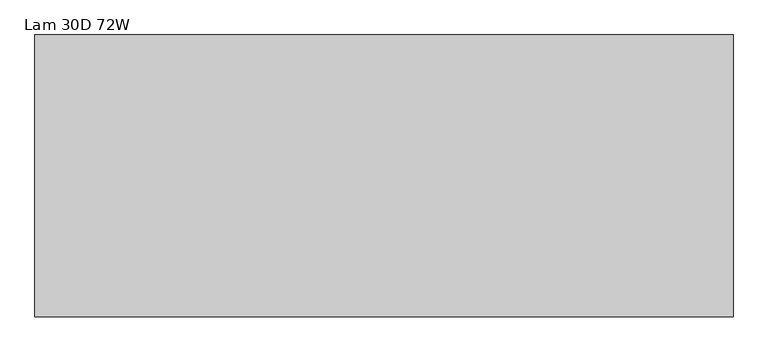
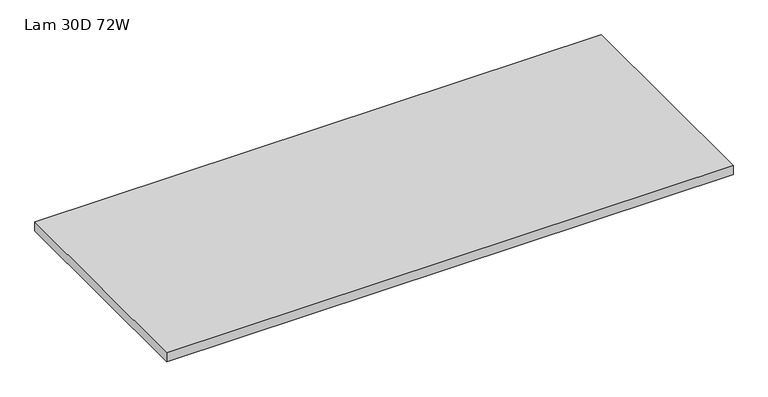
"""IFC4 building model written with IfcOpenShell, lengths in millimetres: furniture geometry, Lam 30D 72W."""

import ifcopenshell
import ifcopenshell.guid

model = None  # the IFC model being written
_history = None  # IfcOwnerHistory: only IFC2X3 demands one
_inside = {}  # id of a spatial element -> (the spatial element, [elements in it])
_under = {}  # id of a project, library or spatial element -> (it, [spatial elements below it])
_declared = {}  # id of a project -> (the project, [libraries it declares])
_typed = {}  # id of a type object -> (the type object, [elements of that type])
_made_of = {}  # id of a material, layer set ... -> (it, [elements and type objects made of it])


def new_model(schema):
    """Start an empty IFC model of exactly this schema.

    Asked for "IFC4X3", IfcOpenShell would pick the latest addendum, in which some entities
    have other attributes; the version numbers below select the first issue.
    IFC2X3 requires an IfcOwnerHistory on every rooted entity: one is made here for all.
    """
    global model, _history
    if schema == "IFC4X3":
        model = ifcopenshell.file(schema_version=(4, 3, 0, 0))
    else:
        model = ifcopenshell.file(schema=schema)
    _inside.clear()
    _under.clear()
    _declared.clear()
    _typed.clear()
    _made_of.clear()
    _history = None
    if model.schema == "IFC2X3":
        org = make("IfcOrganization", Name="unknown")
        user = make(
            "IfcPersonAndOrganization",
            ThePerson=make("IfcPerson", FamilyName="unknown"),
            TheOrganization=org,
        )
        app = make(
            "IfcApplication",
            ApplicationDeveloper=org,
            Version="unknown",
            ApplicationFullName="unknown",
            ApplicationIdentifier="unknown",
        )
        _history = make(
            "IfcOwnerHistory",
            OwningUser=user,
            OwningApplication=app,
            ChangeAction="ADDED",
            CreationDate=0,
        )
    return model


def make(cls, **values):
    """One entity of the class cls with the attributes given. An attribute that is None is left unset."""
    return model.create_entity(
        cls, **{name: value for name, value in values.items() if value is not None}
    )


def rooted(cls, **values):
    """An entity with a GlobalId (a new one), such as an element, a storey or a relation."""
    return make(cls, GlobalId=ifcopenshell.guid.new(), OwnerHistory=_history, **values)


def si_unit(unit_type, name, prefix=None):
    """IfcSIUnit, for example si_unit("LENGTHUNIT", "METRE", prefix="MILLI")."""
    return make("IfcSIUnit", UnitType=unit_type, Prefix=prefix, Name=name)


def assignment(units):
    """IfcUnitAssignment: the units of a project."""
    return None if units is None else make("IfcUnitAssignment", Units=units)


def point(xyz):
    """IfcCartesianPoint."""
    return None if xyz is None else make("IfcCartesianPoint", Coordinates=xyz)


def direction(xyz):
    """IfcDirection."""
    return None if xyz is None else make("IfcDirection", DirectionRatios=xyz)


def frame(location, z_axis=None, x_axis=None):
    """IfcAxis2Placement3D, a coordinate frame: its origin and axes. An axis left out is left unset."""
    return make(
        "IfcAxis2Placement3D",
        Location=point(location),
        Axis=direction(z_axis),
        RefDirection=direction(x_axis),
    )


def origin():
    """The frame at (0, 0, 0) with its axes left unset."""
    return frame((0.0, 0.0, 0.0))


def place(relative_to, where):
    """IfcLocalPlacement: puts the frame where relative to a parent placement (None: the world)."""
    return make(
        "IfcLocalPlacement", PlacementRelTo=relative_to, RelativePlacement=where
    )


def context(
    kind, dimensions, precision=None, world=None, true_north=None, identifier=None
):
    """IfcGeometricRepresentationContext, for example the 3D "Model" context."""
    return make(
        "IfcGeometricRepresentationContext",
        ContextIdentifier=identifier,
        ContextType=kind,
        CoordinateSpaceDimension=dimensions,
        Precision=precision,
        WorldCoordinateSystem=world,
        TrueNorth=true_north,
    )


def project(units=None, contexts=None):
    """IfcProject with its units and contexts."""
    return rooted(
        "IfcProject",
        Name="project",
        RepresentationContexts=contexts,
        UnitsInContext=assignment(units),
    )


def spatial(cls, under=None, at=None, **own):
    """A site, building, storey or space (cls), placed at a placement, below another one or the project."""
    s = rooted(cls, ObjectPlacement=at, **own)
    if under is not None:
        _under.setdefault(under.id(), (under, []))[1].append(s)
    return s


def polyline(points):
    """IfcPolyline through the points."""
    return make("IfcPolyline", Points=[point(p) for p in points])


def outline(outer, holes=None, kind="AREA"):
    """IfcArbitraryClosedProfileDef: a profile drawn as a closed curve; with holes, ...WithVoids."""
    if holes is None:
        return make("IfcArbitraryClosedProfileDef", ProfileType=kind, OuterCurve=outer)
    return make(
        "IfcArbitraryProfileDefWithVoids",
        ProfileType=kind,
        OuterCurve=outer,
        InnerCurves=holes,
    )


def extrude(swept, where, along, depth):
    """IfcExtrudedAreaSolid: the profile swept, set in the frame where, extruded along a direction by depth."""
    return make(
        "IfcExtrudedAreaSolid",
        SweptArea=swept,
        Position=where,
        ExtrudedDirection=direction(along),
        Depth=depth,
    )


def shape(context_of_items, identifier, shape_type, items):
    """IfcShapeRepresentation: the items that make up one representation, for example the "Body"."""
    return make(
        "IfcShapeRepresentation",
        ContextOfItems=context_of_items,
        RepresentationIdentifier=identifier,
        RepresentationType=shape_type,
        Items=items,
    )


def source(mapping_origin, context_of_items, identifier, shape_type, items):
    """IfcRepresentationMap: a shape defined once, which mapped items show again and again."""
    return make(
        "IfcRepresentationMap",
        MappingOrigin=mapping_origin,
        MappedRepresentation=shape(context_of_items, identifier, shape_type, items),
    )


def transform(
    local_origin,
    x_axis=None,
    y_axis=None,
    z_axis=None,
    scale=None,
    scale2=None,
    scale3=None,
    uniform=True,
):
    """IfcCartesianTransformationOperator3D, or its non-uniform kind. x_axis, y_axis, z_axis: its Axis1, 2, 3."""
    if uniform:
        return make(
            "IfcCartesianTransformationOperator3D",
            Axis1=direction(x_axis),
            Axis2=direction(y_axis),
            LocalOrigin=point(local_origin),
            Scale=scale,
            Axis3=direction(z_axis),
        )
    return make(
        "IfcCartesianTransformationOperator3DnonUniform",
        Axis1=direction(x_axis),
        Axis2=direction(y_axis),
        LocalOrigin=point(local_origin),
        Scale=scale,
        Axis3=direction(z_axis),
        Scale2=scale2,
        Scale3=scale3,
    )


def mapped(mapping_source, mapping_target):
    """IfcMappedItem: shows the shape of a source again, moved by a transform."""
    return make(
        "IfcMappedItem", MappingSource=mapping_source, MappingTarget=mapping_target
    )


def made_of(thing, what):
    """Note that an element or type object is made of a material, layer set ...; save() writes the relation."""
    if what is not None:
        _made_of.setdefault(what.id(), (what, []))[1].append(thing)
    return thing


def element(
    cls,
    number,
    at=None,
    inside=None,
    cuts=None,
    type_object=None,
    material=None,
    context=None,
    identifier="Body",
    shape_type=None,
    held_by="IfcProductDefinitionShape",
    body=None,
    shapes=None,
    **own,
):
    """One element of the class cls, such as IfcWall. Its Tag is "e" and its number.

    at: its placement. inside: the storey or other place that contains it. cuts: it is an
    opening in that element (IfcRelVoidsElement). A single representation is given by context,
    identifier, shape_type and body (its items); several are given by shapes. held_by: the class
    of the entity that holds the representations. save() writes the other relations.
    """
    e = rooted(cls, Tag="e%d" % number, ObjectPlacement=at, **own)
    if body is not None:
        shapes = [shape(context, identifier, shape_type, body)]
    if shapes is not None:
        e.Representation = make(held_by, Representations=shapes)
    if inside is not None:
        _inside.setdefault(inside.id(), (inside, []))[1].append(e)
    if cuts is not None:
        rooted(
            "IfcRelVoidsElement", RelatingBuildingElement=cuts, RelatedOpeningElement=e
        )
    if type_object is not None:
        _typed.setdefault(type_object.id(), (type_object, []))[1].append(e)
    return made_of(e, material)


def aggregate(whole, parts):
    """IfcRelAggregates: a whole, such as a stair, and the parts it consists of."""
    return rooted("IfcRelAggregates", RelatingObject=whole, RelatedObjects=parts)


def save(model, path):
    """Write the relations noted so far, then the file.

    IfcRelAggregates (storeys below a building ...), IfcRelContainedInSpatialStructure (elements
    in a storey), IfcRelDefinesByType, IfcRelAssociatesMaterial and IfcRelDeclares: one each for
    every whole, place, type object, material and project.
    """
    for whole, parts in _under.values():
        aggregate(whole, parts)
    for where, things in _inside.values():
        rooted(
            "IfcRelContainedInSpatialStructure",
            RelatedElements=things,
            RelatingStructure=where,
        )
    for kind, things in _typed.values():
        rooted("IfcRelDefinesByType", RelatedObjects=things, RelatingType=kind)
    for what, things in _made_of.values():
        rooted("IfcRelAssociatesMaterial", RelatedObjects=things, RelatingMaterial=what)
    for by, libraries in _declared.values():
        rooted("IfcRelDeclares", RelatingContext=by, RelatedDefinitions=libraries)
    model.write(path)


def lam_30d_72w_552e2402(model_context):
    return source(origin(), model_context, "Body", "SweptSolid", [
        extrude(outline(polyline([(1363.1275996, 22.2914812), (-462.6244004, 22.2914812), (-462.6244004, 758.8914812), (1363.1275996, 758.8914812), (1363.1275996, 22.2914812)])), frame((0.0, 0.0, 706.7296), z_axis=(0.0, 0.0, 1.0), x_axis=(1.0, 0.0, 0.0)), (0.0, 0.0, 1.0), 29.8704),
    ])


if __name__ == "__main__":
    model = new_model("IFC4")
    model_context = context("Model", 3, world=origin())
    ifc_project = project(units=[si_unit("LENGTHUNIT", "METRE", prefix="MILLI")], contexts=[model_context])
    site = spatial("IfcSite", under=ifc_project)
    building = spatial("IfcBuilding", under=site)
    placement = place(None, origin())
    lam_30d_72w_shape = lam_30d_72w_552e2402(model_context)
    element("IfcFurniture", 1, ObjectType="Lam 30D 72W", at=placement, inside=building, context=model_context, shape_type="MappedRepresentation", body=[
        mapped(lam_30d_72w_shape, transform((0.0, 0.0, 0.0), x_axis=(1.0, 0.0, 0.0), y_axis=(0.0, 1.0, 0.0), z_axis=(0.0, 0.0, 1.0))),
    ])
    save(model, "model.ifc")
